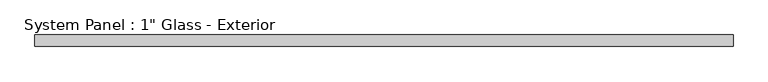
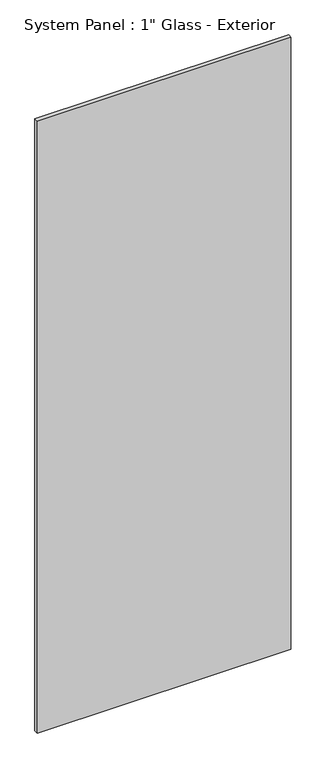
"""IFC4 building model written with IfcOpenShell, lengths in millimetres: plate geometry."""

from ifc_helpers import new_model, si_unit, origin, origin_with_axes, place, context, project, spatial, polyline, outline, extrude, source, transform, mapped, element, save


def plate_1cfd12ac(model_context):
    return source(origin(), model_context, "Body", "SweptSolid", [
        extrude(outline(polyline([(777.0295043, 0.0), (-777.0295043, 0.0), (-777.0295043, 25.4), (777.0295043, 25.4), (777.0295043, 0.0)])), origin_with_axes(), (0.0, 0.0, 1.0), 3962.4),
    ])


if __name__ == "__main__":
    model = new_model("IFC4")
    model_context = context("Model", 3, world=origin())
    ifc_project = project(units=[si_unit("LENGTHUNIT", "METRE", prefix="MILLI")], contexts=[model_context])
    site = spatial("IfcSite", under=ifc_project)
    building = spatial("IfcBuilding", under=site)
    placement = place(None, origin())
    plate_shape = plate_1cfd12ac(model_context)
    element("IfcPlate", 1, ObjectType="System Panel : 1\" Glass - Exterior", at=placement, inside=building, context=model_context, shape_type="MappedRepresentation", body=[
        mapped(plate_shape, transform((0.0, 0.0, 0.0), x_axis=(1.0, 0.0, 0.0), y_axis=(0.0, 1.0, 0.0), z_axis=(0.0, 0.0, 1.0))),
    ])
    save(model, "model.ifc")
